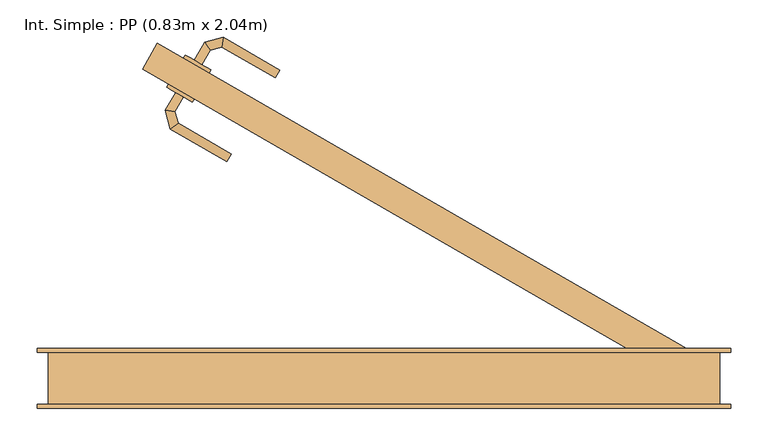
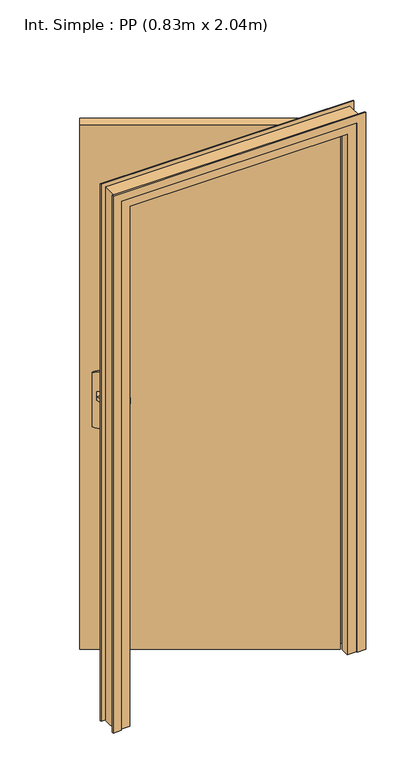
"""IFC4 building model written with IfcOpenShell, lengths in millimetres: door geometry, Int. Simple : PP (0.83m x 2.04m)."""

from ifc_helpers import new_model, si_unit, point, frame, frame_2d, origin, origin_with_axes, place, context, project, spatial, polyline, circle_curve, ellipse_curve, trimmed, segment, composite_curve, outline, extrude, faceted_brep, source, transform, mapped, element, save
from ifc_brep_helpers import plane_surface, cylinder_surface, advanced_brep


def int_simple_pp_0_83m_x_2_04m_14951ff1(model_context):
    return source(origin(), model_context, "Body", "SolidModel", [
        extrude(outline(composite_curve([segment(trimmed(circle_curve(frame_2d((0.0, 40.0)), 40.0), [point((34.6410162, 60.0))], [point((34.6410162, 19.9999999))], False, "CARTESIAN"), True, "CONTINUOUS"), segment(polyline([(34.6410162, 19.9999999), (-175.3589838, 19.9999999)]), True, "CONTINUOUS"), segment(trimmed(circle_curve(frame_2d((-140.7179676, 40.0)), 40.0), [point((-175.3589838, 19.9999999))], [point((-175.3589838, 60.0))], False, "CARTESIAN"), True, "CONTINUOUS"), segment(polyline([(-175.3589838, 60.0), (34.6410162, 60.0)]), True, "CONTINUOUS")], self_intersect=False)), frame((-252.1985448, 400.0, 904.6410162), z_axis=(0.5, 0.8660254037844387, 0.0), x_axis=(0.0, 0.0, -1.0)), (0.0, 0.0, 1.0), 5.0),
        extrude(outline(composite_curve([segment(trimmed(circle_curve(frame_2d((0.0, 40.0)), 40.0), [point((-34.6410162, 19.9999999))], [point((-34.6410162, 60.0))], False, "CARTESIAN"), True, "CONTINUOUS"), segment(polyline([(-34.6410162, 60.0), (175.3589838, 60.0)]), True, "CONTINUOUS"), segment(trimmed(circle_curve(frame_2d((140.7179676, 40.0)), 40.0), [point((175.3589838, 60.0))], [point((175.3589838, 19.9999999))], False, "CARTESIAN"), True, "CONTINUOUS"), segment(polyline([(175.3589838, 19.9999999), (-34.6410162, 19.9999999)]), True, "CONTINUOUS")], self_intersect=False)), frame((-274.6985448, 361.0288568, 1045.3589838), z_axis=(0.5, 0.8660254037844387, 0.0), x_axis=(0.0, 0.0, -1.0)), (0.0, 0.0, 1.0), 5.0),
        advanced_brep(
        [(-289.5357133, 427.330127, 1007.0), (-289.5357133, 427.330127, 993.0), (-279.1434085, 421.330127, 993.0), (-279.1434085, 421.330127, 1007.0), (-267.8032145, 440.9719192, 1007.0), (-275.710238, 451.2765528, 1007.0), (-267.8032145, 440.9719192, 993.0), (-275.710238, 451.2765528, 993.0), (-252.3018687, 445.1254922, 1007.0), (-250.6065023, 458.0030785, 1007.0), (-252.3018687, 445.1254922, 993.0), (-250.6065023, 458.0030785, 993.0), (-174.706797, 414.1823632, 1007.0), (-180.706797, 403.7900583, 1007.0), (-180.706797, 403.7900583, 993.0), (-174.706797, 414.1823632, 993.0)],
        [
            (0, 1),
            (1, 2, circle_curve(frame((-284.3395609, 424.330127, 1013.0457722), z_axis=(-0.5000000000000028, -0.866025403784437, 0.0), x_axis=(0.866025403784437, -0.5000000000000028, 0.0)), 20.9244589)),
            (2, 3),
            (3, 0, circle_curve(frame((-284.3395609, 424.330127, 986.9542278), z_axis=(-0.5000000000000028, -0.866025403784437, 0.0), x_axis=(0.866025403784437, -0.5000000000000028, 0.0)), 20.9244589)),
            (3, 4),
            (4, 5, ellipse_curve(frame((-271.7567263, 446.124236, 986.9542278), z_axis=(-0.7933533402912499, -0.6087614290087013, 0.0), x_axis=(0.6087614290087014, -0.7933533402912498, 0.0)), 22.6484711, 20.9244589)),
            (5, 0),
            (2, 6),
            (6, 4),
            (1, 7),
            (7, 6, ellipse_curve(frame((-271.7567263, 446.124236, 1013.0457722), z_axis=(-0.7933533402912499, -0.6087614290087013, 0.0), x_axis=(0.6087614290087014, -0.7933533402912498, 0.0)), 22.6484711, 20.9244589)),
            (5, 7),
            (4, 8),
            (8, 9, ellipse_curve(frame((-251.4541855, 451.5642854, 986.9542278), z_axis=(-0.9914448613738073, 0.13052619222007575, 0.0), x_axis=(-0.13052619222007555, -0.9914448613738074, 0.0)), 22.6484711, 20.9244589)),
            (9, 5),
            (6, 10),
            (10, 8),
            (7, 11),
            (11, 10, ellipse_curve(frame((-251.4541855, 451.5642854, 1013.0457722), z_axis=(-0.9914448613738073, 0.13052619222007575, 0.0), x_axis=(-0.13052619222007555, -0.9914448613738074, 0.0)), 22.6484711, 20.9244589)),
            (9, 11),
            (12, 13, circle_curve(frame((-177.706797, 408.9862107, 986.9542278), z_axis=(0.8660254037844369, -0.500000000000003, 0.0), x_axis=(-0.500000000000003, -0.8660254037844369, 0.0)), 20.9244589)),
            (13, 14),
            (14, 15, circle_curve(frame((-177.706797, 408.9862107, 1013.0457722), z_axis=(0.8660254037844369, -0.500000000000003, 0.0), x_axis=(-0.500000000000003, -0.8660254037844369, 0.0)), 20.9244589)),
            (15, 12),
            (8, 13),
            (12, 9),
            (10, 14),
            (11, 15),
        ],
        [
            plane_surface(frame((-292.3239206, 428.9398992, 1000.0), z_axis=(-0.5000000000000028, -0.866025403784437, 0.0), x_axis=(0.0, 0.0, -1.0))),
            cylinder_surface(frame((-284.3395609, 424.330127, 986.9542278), z_axis=(-0.5000000000000028, -0.866025403784437, 0.0), x_axis=(0.866025403784437, -0.5000000000000028, 0.0)), 20.9244589),
            plane_surface(frame((-279.1434085, 421.330127, 1007.0), z_axis=(0.866025403784437, -0.5000000000000028, 0.0), x_axis=(0.5000000000000028, 0.866025403784437, 0.0))),
            cylinder_surface(frame((-284.3395609, 424.330127, 1013.0457722), z_axis=(-0.5000000000000028, -0.866025403784437, 0.0), x_axis=(0.866025403784437, -0.5000000000000028, 0.0)), 20.9244589),
            plane_surface(frame((-289.5357133, 427.330127, 993.0), z_axis=(-0.866025403784437, 0.5000000000000028, 0.0), x_axis=(0.5000000000000028, 0.866025403784437, 0.0))),
            cylinder_surface(frame((-271.7567263, 446.124236, 986.9542278), z_axis=(-0.96592582628908, -0.25881904510247705, 0.0), x_axis=(0.25881904510247705, -0.96592582628908, 0.0)), 20.9244589),
            plane_surface(frame((-267.8032145, 440.9719192, 1007.0), z_axis=(0.258819045102477, -0.96592582628908, 0.0), x_axis=(0.96592582628908, 0.258819045102477, 0.0))),
            cylinder_surface(frame((-271.7567263, 446.124236, 1013.0457722), z_axis=(-0.96592582628908, -0.25881904510247705, 0.0), x_axis=(0.25881904510247705, -0.96592582628908, 0.0)), 20.9244589),
            plane_surface(frame((-275.710238, 451.2765528, 993.0), z_axis=(-0.258819045102477, 0.96592582628908, 0.0), x_axis=(0.96592582628908, 0.258819045102477, 0.0))),
            plane_surface(frame((-177.706797, 408.9862107, 990.7804555), z_axis=(0.866025403784437, -0.5000000000000028, 0.0), x_axis=(-0.5000000000000028, -0.866025403784437, 0.0))),
            cylinder_surface(frame((-251.4541855, 451.5642854, 986.9542278), z_axis=(-0.8660254037844369, 0.500000000000003, 0.0), x_axis=(-0.500000000000003, -0.8660254037844369, 0.0)), 20.9244589),
            plane_surface(frame((-252.3018687, 445.1254922, 1007.0), z_axis=(-0.5000000000000028, -0.866025403784437, 0.0), x_axis=(0.866025403784437, -0.5000000000000028, 0.0))),
            cylinder_surface(frame((-251.4541855, 451.5642854, 1013.0457722), z_axis=(-0.8660254037844369, 0.500000000000003, 0.0), x_axis=(-0.500000000000003, -0.8660254037844369, 0.0)), 20.9244589),
            plane_surface(frame((-250.6065023, 458.0030785, 993.0), z_axis=(0.5000000000000028, 0.866025403784437, 0.0), x_axis=(0.866025403784437, -0.5000000000000028, 0.0))),
        ],
        [
            (0, [[1, 2, 3, 4]]),
            (1, [[5, 6, 7, -4]]),
            (2, [[8, 9, -5, -3]]),
            (3, [[10, 11, -8, -2]]),
            (4, [[-7, 12, -10, -1]]),
            (5, [[13, 14, 15, -6]]),
            (6, [[16, 17, -13, -9]]),
            (7, [[18, 19, -16, -11]]),
            (8, [[-15, 20, -18, -12]]),
            (9, [[21, 22, 23, 24]]),
            (10, [[25, -21, 26, -14]]),
            (11, [[27, -22, -25, -17]]),
            (12, [[28, -23, -27, -19]]),
            (13, [[-26, -24, -28, -20]]),
        ],
    ),
        advanced_brep(
        [(-304.1434085, 378.0288568, 993.0), (-314.5357133, 384.0288568, 993.0), (-314.5357133, 384.0288568, 1007.0), (-304.1434085, 378.0288568, 1007.0), (-315.3860107, 358.5560985, 1007.0), (-315.3860107, 358.5560985, 993.0), (-328.263597, 360.2514649, 1007.0), (-328.263597, 360.2514649, 993.0), (-311.182106, 342.8669124, 1007.0), (-311.182106, 342.8669124, 993.0), (-321.4867396, 334.9598889, 1007.0), (-321.4867396, 334.9598889, 993.0), (-239.6826137, 301.5866612, 993.0), (-239.6826137, 301.5866612, 1007.0), (-245.6826137, 291.1943564, 1007.0), (-245.6826137, 291.1943564, 993.0)],
        [
            (0, 1, circle_curve(frame((-309.3395609, 381.0288568, 1013.0457722), z_axis=(0.5000000000000028, 0.866025403784437, 0.0), x_axis=(-0.866025403784437, 0.5000000000000028, 0.0)), 20.9244589)),
            (1, 2),
            (2, 3, circle_curve(frame((-309.3395609, 381.0288568, 986.9542278), z_axis=(0.5000000000000028, 0.866025403784437, 0.0), x_axis=(-0.866025403784437, 0.5000000000000028, 0.0)), 20.9244589)),
            (3, 0),
            (3, 4),
            (4, 5),
            (5, 0),
            (2, 6),
            (6, 4, ellipse_curve(frame((-321.8248039, 359.4037817, 986.9542278), z_axis=(0.13052619222003425, 0.9914448613738126, 0.0), x_axis=(0.9914448613738128, -0.13052619222003373, 0.0)), 22.6484711, 20.9244589)),
            (1, 7),
            (7, 6),
            (5, 7, ellipse_curve(frame((-321.8248039, 359.4037817, 1013.0457722), z_axis=(0.13052619222003425, 0.9914448613738126, 0.0), x_axis=(0.9914448613738128, -0.13052619222003373, 0.0)), 22.6484711, 20.9244589)),
            (4, 8),
            (8, 9),
            (9, 5),
            (6, 10),
            (10, 8, ellipse_curve(frame((-316.3344228, 338.9134007, 986.9542278), z_axis=(-0.6087614290087345, 0.7933533402912245, 0.0), x_axis=(0.7933533402912246, 0.6087614290087342, 0.0)), 22.6484711, 20.9244589)),
            (7, 11),
            (11, 10),
            (9, 11, ellipse_curve(frame((-316.3344228, 338.9134007, 1013.0457722), z_axis=(-0.6087614290087345, 0.7933533402912245, 0.0), x_axis=(0.7933533402912246, 0.6087614290087342, 0.0)), 22.6484711, 20.9244589)),
            (12, 13),
            (13, 14, circle_curve(frame((-242.6826137, 296.3905088, 986.9542278), z_axis=(0.866025403784437, -0.5000000000000028, 0.0), x_axis=(-0.5000000000000028, -0.866025403784437, 0.0)), 20.9244589)),
            (14, 15),
            (15, 12, circle_curve(frame((-242.6826137, 296.3905088, 1013.0457722), z_axis=(0.866025403784437, -0.5000000000000028, 0.0), x_axis=(-0.5000000000000028, -0.866025403784437, 0.0)), 20.9244589)),
            (8, 13),
            (12, 9),
            (10, 14),
            (11, 15),
        ],
        [
            plane_surface(frame((-317.3239206, 385.6386291, 1000.0), z_axis=(0.5000000000000028, 0.866025403784437, 0.0), x_axis=(0.0, 0.0, 1.0))),
            plane_surface(frame((-304.1434085, 378.0288568, 993.0), z_axis=(0.866025403784437, -0.5000000000000028, 0.0), x_axis=(-0.5000000000000028, -0.866025403784437, 0.0))),
            cylinder_surface(frame((-309.3395609, 381.0288568, 986.9542278), z_axis=(0.5000000000000028, 0.866025403784437, 0.0), x_axis=(-0.866025403784437, 0.5000000000000028, 0.0)), 20.9244589),
            plane_surface(frame((-314.5357133, 384.0288568, 1007.0), z_axis=(-0.866025403784437, 0.5000000000000028, 0.0), x_axis=(-0.5000000000000028, -0.866025403784437, 0.0))),
            cylinder_surface(frame((-309.3395609, 381.0288568, 1013.0457722), z_axis=(0.5000000000000028, 0.866025403784437, 0.0), x_axis=(-0.866025403784437, 0.5000000000000028, 0.0)), 20.9244589),
            plane_surface(frame((-315.3860107, 358.5560985, 993.0), z_axis=(0.9659258262890584, 0.2588190451025576, 0.0), x_axis=(0.2588190451025576, -0.9659258262890584, 0.0))),
            cylinder_surface(frame((-321.8248039, 359.4037817, 986.9542278), z_axis=(-0.2588190451025576, 0.9659258262890584, 0.0), x_axis=(-0.9659258262890584, -0.2588190451025576, 0.0)), 20.9244589),
            plane_surface(frame((-328.263597, 360.2514649, 1007.0), z_axis=(-0.9659258262890584, -0.25881904510255754, 0.0), x_axis=(0.25881904510255754, -0.9659258262890584, 0.0))),
            cylinder_surface(frame((-321.8248039, 359.4037817, 1013.0457722), z_axis=(-0.2588190451025576, 0.9659258262890584, 0.0), x_axis=(-0.9659258262890584, -0.2588190451025576, 0.0)), 20.9244589),
            plane_surface(frame((-242.6826137, 296.3905088, 990.7804555), z_axis=(0.866025403784437, -0.5000000000000028, 0.0), x_axis=(-0.5000000000000028, -0.866025403784437, 0.0))),
            plane_surface(frame((-311.182106, 342.8669124, 993.0), z_axis=(0.5000000000000028, 0.866025403784437, 0.0), x_axis=(0.866025403784437, -0.5000000000000028, 0.0))),
            cylinder_surface(frame((-316.3344228, 338.9134007, 986.9542278), z_axis=(-0.866025403784437, 0.5000000000000028, 0.0), x_axis=(-0.5000000000000028, -0.866025403784437, 0.0)), 20.9244589),
            plane_surface(frame((-321.4867396, 334.9598889, 1007.0), z_axis=(-0.5000000000000028, -0.866025403784437, 0.0), x_axis=(0.866025403784437, -0.5000000000000028, 0.0))),
            cylinder_surface(frame((-316.3344228, 338.9134007, 1013.0457722), z_axis=(-0.866025403784437, 0.5000000000000028, 0.0), x_axis=(-0.5000000000000028, -0.866025403784437, 0.0)), 20.9244589),
        ],
        [
            (0, [[1, 2, 3, 4]]),
            (1, [[5, 6, 7, -4]]),
            (2, [[8, 9, -5, -3]]),
            (3, [[10, 11, -8, -2]]),
            (4, [[-7, 12, -10, -1]]),
            (5, [[13, 14, 15, -6]]),
            (6, [[16, 17, -13, -9]]),
            (7, [[18, 19, -16, -11]]),
            (8, [[-15, 20, -18, -12]]),
            (9, [[21, 22, 23, 24]]),
            (10, [[25, -21, 26, -14]]),
            (11, [[27, -22, -25, -17]]),
            (12, [[28, -23, -27, -19]]),
            (13, [[-26, -24, -28, -20]]),
        ],
    ),
        extrude(outline(polyline([(-358.8010851, 415.3589838), (-338.8010851, 450.0), (380.0, 35.0), (360.0, 0.3589838), (-358.8010851, 415.3589838)])), origin_with_axes(), (0.0, 0.0, 1.0), 2040.0),
        faceted_brep([(-485.0, 35.0, 0.0), (-450.0, 35.0, 0.0), (-450.0, -5.0, 0.0), (-435.0, -5.0, 0.0), (-435.0, -35.0, 0.0), (-485.0, -35.0, 0.0), (-485.0, -35.0, 2075.0), (-485.0, 35.0, 2075.0), (-435.0, -35.0, 2025.0), (365.0, -35.0, 2025.0), (365.0, -35.0, 0.0), (415.0, -35.0, 0.0), (415.0, -35.0, 2075.0), (-435.0, -5.0, 2025.0), (-450.0, -5.0, 2040.0), (380.0, -5.0, 2040.0), (380.0, -5.0, 0.0), (365.0, -5.0, 0.0), (365.0, -5.0, 2025.0), (-450.0, 35.0, 2040.0), (415.0, 35.0, 2075.0), (415.0, 35.0, 0.0), (380.0, 35.0, 0.0), (380.0, 35.0, 2040.0)], [[[0, 1, 2, 3, 4, 5]], [[5, 6, 7, 0]], [[4, 8, 9, 10, 11, 12, 6, 5]], [[3, 13, 8, 4]], [[2, 14, 15, 16, 17, 18, 13, 3]], [[1, 19, 14, 2]], [[0, 7, 20, 21, 22, 23, 19, 1]], [[12, 11, 21, 20]], [[21, 11, 10, 17, 16, 22]], [[18, 17, 10, 9]], [[23, 22, 16, 15]], [[6, 12, 20, 7]], [[13, 18, 9, 8]], [[19, 23, 15, 14]]]),
        extrude(outline(polyline([(0.0, -470.0), (2060.0, -470.0), (2060.0, 400.0), (0.0, 400.0), (0.0, 430.0), (2090.0, 430.0), (2090.0, -500.0), (0.0, -500.0), (0.0, -470.0)])), frame((0.0, 35.0, 0.0), z_axis=(0.0, 1.0, 0.0), x_axis=(0.0, 0.0, 1.0)), (0.0, 0.0, 1.0), 5.0),
        extrude(outline(polyline([(0.0, -470.0), (2060.0, -470.0), (2060.0, 400.0), (0.0, 400.0), (0.0, 430.0), (2090.0, 430.0), (2090.0, -500.0), (0.0, -500.0), (0.0, -470.0)])), frame((0.0, -40.0, 0.0), z_axis=(0.0, 1.0, 0.0), x_axis=(0.0, 0.0, 1.0)), (0.0, 0.0, 1.0), 5.0),
    ])


if __name__ == "__main__":
    model = new_model("IFC4")
    model_context = context("Model", 3, world=origin())
    ifc_project = project(units=[si_unit("LENGTHUNIT", "METRE", prefix="MILLI")], contexts=[model_context])
    site = spatial("IfcSite", under=ifc_project)
    building = spatial("IfcBuilding", under=site)
    placement = place(None, origin())
    int_simple_pp_0_83m_x_2_04m_shape = int_simple_pp_0_83m_x_2_04m_14951ff1(model_context)
    element("IfcDoor", 1, ObjectType="Int. Simple : PP (0.83m x 2.04m)", at=placement, inside=building, context=model_context, shape_type="MappedRepresentation", body=[
        mapped(int_simple_pp_0_83m_x_2_04m_shape, transform((0.0, 0.0, 0.0), x_axis=(1.0, 0.0, 0.0), y_axis=(0.0, 1.0, 0.0), z_axis=(0.0, 0.0, 1.0))),
    ])
    save(model, "model.ifc")
